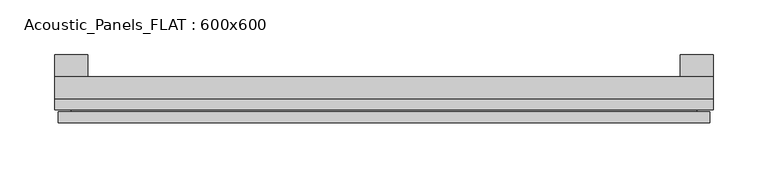
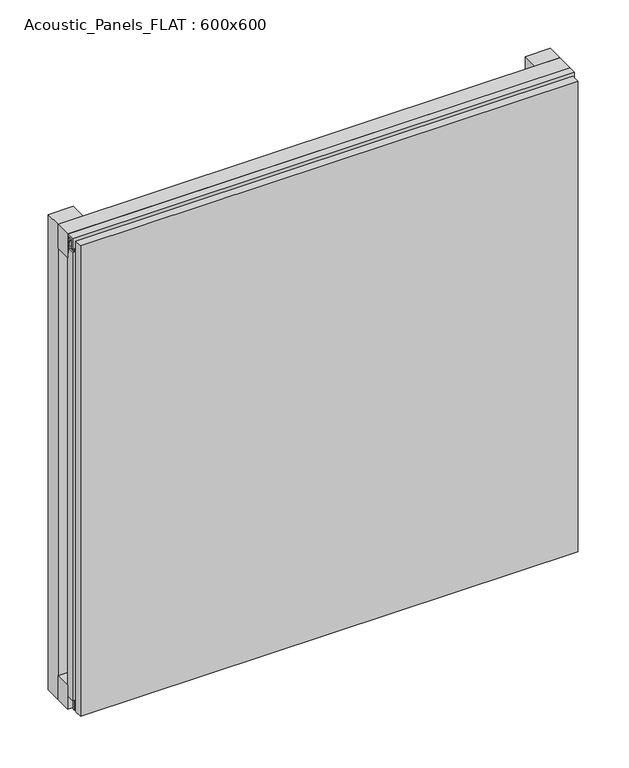
"""IFC4 building model written with IfcOpenShell, lengths in millimetres: plate geometry, Acoustic_Panels_FLAT : 600x600."""

from ifc_helpers import new_model, si_unit, frame, origin, origin_with_axes, place, context, project, spatial, polyline, outline, extrude, faceted_brep, source, transform, mapped, element, save


def acoustic_panels_flat_600x600_d1cf11d3(model_context):
    return source(origin(), model_context, "Body", "SolidModel", [
        extrude(outline(polyline([(-300.0, -40.0), (-300.0, -20.0), (300.0, -20.0), (300.0, -40.0), (-300.0, -40.0)])), frame((0.0, 0.0, 570.0), z_axis=(0.0, 0.0, 1.0), x_axis=(1.0, 0.0, 0.0)), (0.0, 0.0, 1.0), 30.0),
        extrude(outline(polyline([(-300.0, -40.0), (-300.0, -20.0), (300.0, -20.0), (300.0, -40.0), (-300.0, -40.0)])), origin_with_axes(), (0.0, 0.0, 1.0), 30.0),
        extrude(outline(polyline([(270.0, 0.0), (300.0, 0.0), (300.0, -20.0), (270.0, -20.0), (270.0, 0.0)])), origin_with_axes(), (0.0, 0.0, 1.0), 600.0),
        extrude(outline(polyline([(-270.0, 0.0), (-270.0, -20.0), (-300.0, -20.0), (-300.0, 0.0), (-270.0, 0.0)])), origin_with_axes(), (0.0, 0.0, 1.0), 600.0),
        extrude(outline(polyline([(-40.0, 593.700916), (-43.5, 593.700916), (-40.0553267, 584.6441401), (-40.0553267, 577.008452), (-41.4553267, 577.008452), (-41.4553267, 584.4296606), (-45.5140545, 595.100916), (-41.4, 595.100916), (-41.4, 598.5843193), (-48.7, 598.5843193), (-48.7, 586.5843193), (-50.1, 586.5843193), (-50.1, 600.0), (-40.0, 600.0), (-40.0, 593.700916)])), frame((-300.0, 0.0, 0.0), z_axis=(1.0, 0.0, 0.0), x_axis=(0.0, 1.0, 0.0)), (0.0, 0.0, 1.0), 600.0),
        extrude(outline(polyline([(-293.700916, -40.0), (-293.700916, -43.5), (-284.6441401, -40.0553267), (-277.008452, -40.0553267), (-277.008452, -41.4553267), (-284.4296606, -41.4553267), (-295.100916, -45.5140545), (-295.100916, -41.4), (-298.5843193, -41.4), (-298.5843193, -48.7), (-286.5843193, -48.7), (-286.5843193, -50.1), (-300.0, -50.1), (-300.0, -40.0), (-293.700916, -40.0)])), frame((0.0, 0.0, 16.9558599), z_axis=(0.0, 0.0, 1.0), x_axis=(1.0, 0.0, 0.0)), (0.0, 0.0, 1.0), 566.0882802),
        faceted_brep([(297.0, -45.9, 597.0), (-297.0, -45.9, 597.0), (-297.0, -48.7, 597.0), (297.0, -48.7, 597.0), (-297.0, -61.9, 597.0), (297.0, -61.9, 597.0), (297.0, -51.9, 597.0), (-297.0, -51.9, 597.0), (-297.0, -45.9, 3.0), (297.0, -45.9, 3.0), (297.0, -48.7, 3.0), (-297.0, -48.7, 3.0), (297.0, -61.9, 3.0), (-297.0, -61.9, 3.0), (-297.0, -51.9, 3.0), (297.0, -51.9, 3.0), (285.0, -51.9, 585.0), (285.0, -51.9, 15.0), (285.0, -48.7, 15.0), (285.0, -48.7, 585.0), (-285.0, -51.9, 15.0), (-285.0, -48.7, 15.0), (-285.0, -51.9, 585.0), (-285.0, -48.7, 585.0)], [[[0, 1, 2, 3]], [[4, 5, 6, 7]], [[8, 9, 10, 11]], [[12, 13, 14, 15]], [[1, 0, 9, 8]], [[1, 8, 11, 2]], [[13, 4, 7, 14]], [[5, 4, 13, 12]], [[9, 0, 3, 10]], [[5, 12, 15, 6]], [[16, 17, 18, 19]], [[18, 17, 20, 21]], [[21, 20, 22, 23]], [[16, 19, 23, 22]], [[7, 6, 15, 14], [17, 16, 22, 20]], [[3, 2, 11, 10], [19, 18, 21, 23]]]),
    ])


if __name__ == "__main__":
    model = new_model("IFC4")
    model_context = context("Model", 3, world=origin())
    ifc_project = project(units=[si_unit("LENGTHUNIT", "METRE", prefix="MILLI")], contexts=[model_context])
    site = spatial("IfcSite", under=ifc_project)
    building = spatial("IfcBuilding", under=site)
    placement = place(None, origin())
    acoustic_panels_flat_600x600_shape = acoustic_panels_flat_600x600_d1cf11d3(model_context)
    element("IfcPlate", 1, ObjectType="Acoustic_Panels_FLAT : 600x600", at=placement, inside=building, context=model_context, shape_type="MappedRepresentation", body=[
        mapped(acoustic_panels_flat_600x600_shape, transform((0.0, 0.0, 0.0), x_axis=(1.0, 0.0, 0.0), y_axis=(0.0, 1.0, 0.0), z_axis=(0.0, 0.0, 1.0))),
    ])
    save(model, "model.ifc")
